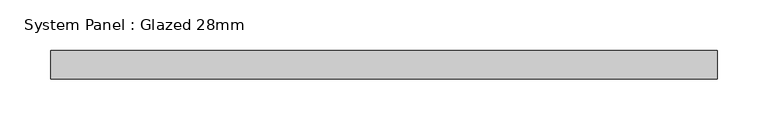
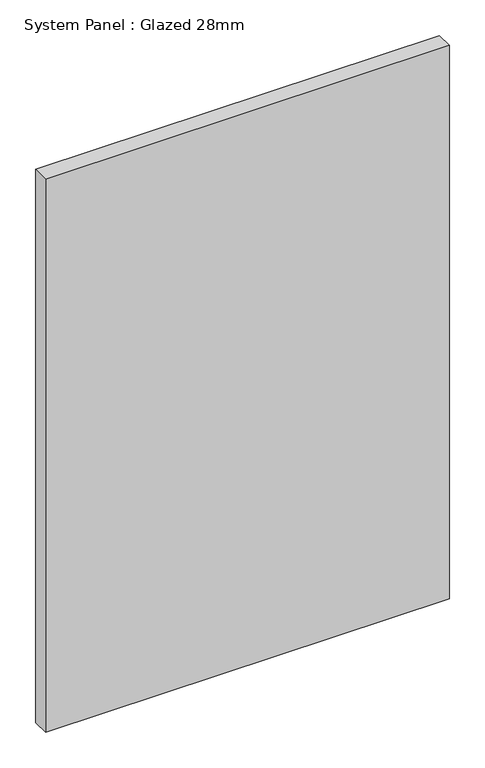
"""IFC4 building model written with IfcOpenShell, lengths in millimetres: plate geometry, System Panel : Glazed 28mm."""

from ifc_helpers import new_model, si_unit, origin, origin_with_axes, place, context, project, spatial, polyline, outline, extrude, source, transform, mapped, element, save


def system_panel_glazed_28mm_0fba1d7b(model_context):
    return source(origin(), model_context, "Body", "SweptSolid", [
        extrude(outline(polyline([(327.8727939, -14.0), (-327.8727939, -14.0), (-327.8727939, 14.0), (327.8727939, 14.0), (327.8727939, -14.0)])), origin_with_axes(), (0.0, 0.0, 1.0), 948.6794583),
    ])


if __name__ == "__main__":
    model = new_model("IFC4")
    model_context = context("Model", 3, world=origin())
    ifc_project = project(units=[si_unit("LENGTHUNIT", "METRE", prefix="MILLI")], contexts=[model_context])
    site = spatial("IfcSite", under=ifc_project)
    building = spatial("IfcBuilding", under=site)
    placement = place(None, origin())
    system_panel_glazed_28mm_shape = system_panel_glazed_28mm_0fba1d7b(model_context)
    element("IfcPlate", 1, ObjectType="System Panel : Glazed 28mm", at=placement, inside=building, context=model_context, shape_type="MappedRepresentation", body=[
        mapped(system_panel_glazed_28mm_shape, transform((0.0, 0.0, 0.0), x_axis=(1.0, 0.0, 0.0), y_axis=(0.0, 1.0, 0.0), z_axis=(0.0, 0.0, 1.0))),
    ])
    save(model, "model.ifc")
